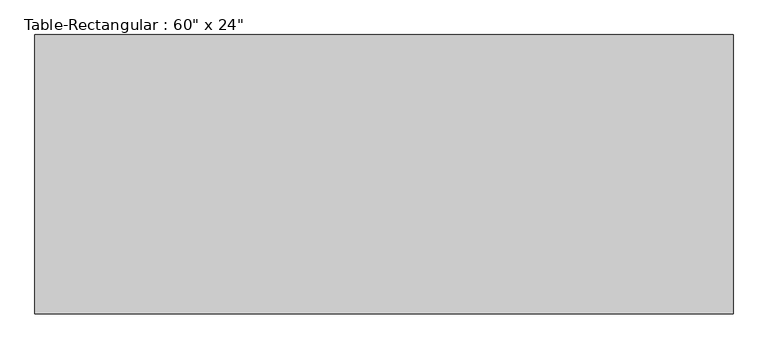
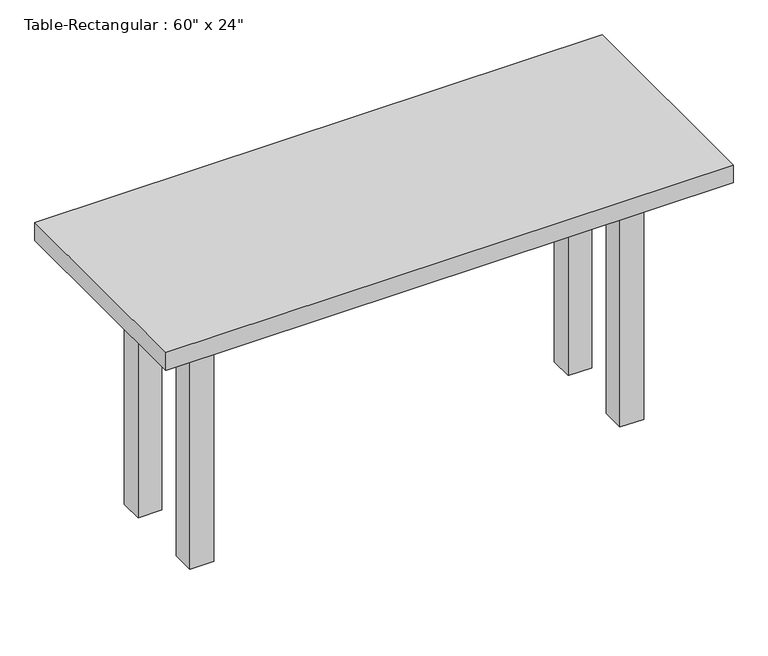
"""IFC4 building model written with IfcOpenShell, lengths in millimetres: furniture geometry."""

import ifcopenshell
import ifcopenshell.guid

model = None  # the IFC model being written
_history = None  # IfcOwnerHistory: only IFC2X3 demands one
_inside = {}  # id of a spatial element -> (the spatial element, [elements in it])
_under = {}  # id of a project, library or spatial element -> (it, [spatial elements below it])
_declared = {}  # id of a project -> (the project, [libraries it declares])
_typed = {}  # id of a type object -> (the type object, [elements of that type])
_made_of = {}  # id of a material, layer set ... -> (it, [elements and type objects made of it])


def new_model(schema):
    """Start an empty IFC model of exactly this schema.

    Asked for "IFC4X3", IfcOpenShell would pick the latest addendum, in which some entities
    have other attributes; the version numbers below select the first issue.
    IFC2X3 requires an IfcOwnerHistory on every rooted entity: one is made here for all.
    """
    global model, _history
    if schema == "IFC4X3":
        model = ifcopenshell.file(schema_version=(4, 3, 0, 0))
    else:
        model = ifcopenshell.file(schema=schema)
    _inside.clear()
    _under.clear()
    _declared.clear()
    _typed.clear()
    _made_of.clear()
    _history = None
    if model.schema == "IFC2X3":
        org = make("IfcOrganization", Name="unknown")
        user = make(
            "IfcPersonAndOrganization",
            ThePerson=make("IfcPerson", FamilyName="unknown"),
            TheOrganization=org,
        )
        app = make(
            "IfcApplication",
            ApplicationDeveloper=org,
            Version="unknown",
            ApplicationFullName="unknown",
            ApplicationIdentifier="unknown",
        )
        _history = make(
            "IfcOwnerHistory",
            OwningUser=user,
            OwningApplication=app,
            ChangeAction="ADDED",
            CreationDate=0,
        )
    return model


def make(cls, **values):
    """One entity of the class cls with the attributes given. An attribute that is None is left unset."""
    return model.create_entity(
        cls, **{name: value for name, value in values.items() if value is not None}
    )


def rooted(cls, **values):
    """An entity with a GlobalId (a new one), such as an element, a storey or a relation."""
    return make(cls, GlobalId=ifcopenshell.guid.new(), OwnerHistory=_history, **values)


def si_unit(unit_type, name, prefix=None):
    """IfcSIUnit, for example si_unit("LENGTHUNIT", "METRE", prefix="MILLI")."""
    return make("IfcSIUnit", UnitType=unit_type, Prefix=prefix, Name=name)


def assignment(units):
    """IfcUnitAssignment: the units of a project."""
    return None if units is None else make("IfcUnitAssignment", Units=units)


def point(xyz):
    """IfcCartesianPoint."""
    return None if xyz is None else make("IfcCartesianPoint", Coordinates=xyz)


def direction(xyz):
    """IfcDirection."""
    return None if xyz is None else make("IfcDirection", DirectionRatios=xyz)


def frame(location, z_axis=None, x_axis=None):
    """IfcAxis2Placement3D, a coordinate frame: its origin and axes. An axis left out is left unset."""
    return make(
        "IfcAxis2Placement3D",
        Location=point(location),
        Axis=direction(z_axis),
        RefDirection=direction(x_axis),
    )


def origin():
    """The frame at (0, 0, 0) with its axes left unset."""
    return frame((0.0, 0.0, 0.0))


def origin_with_axes():
    """The frame at (0, 0, 0) with the z axis (0, 0, 1) and the x axis (1, 0, 0) written out."""
    return frame((0.0, 0.0, 0.0), z_axis=(0.0, 0.0, 1.0), x_axis=(1.0, 0.0, 0.0))


def place(relative_to, where):
    """IfcLocalPlacement: puts the frame where relative to a parent placement (None: the world)."""
    return make(
        "IfcLocalPlacement", PlacementRelTo=relative_to, RelativePlacement=where
    )


def context(
    kind, dimensions, precision=None, world=None, true_north=None, identifier=None
):
    """IfcGeometricRepresentationContext, for example the 3D "Model" context."""
    return make(
        "IfcGeometricRepresentationContext",
        ContextIdentifier=identifier,
        ContextType=kind,
        CoordinateSpaceDimension=dimensions,
        Precision=precision,
        WorldCoordinateSystem=world,
        TrueNorth=true_north,
    )


def project(units=None, contexts=None):
    """IfcProject with its units and contexts."""
    return rooted(
        "IfcProject",
        Name="project",
        RepresentationContexts=contexts,
        UnitsInContext=assignment(units),
    )


def spatial(cls, under=None, at=None, **own):
    """A site, building, storey or space (cls), placed at a placement, below another one or the project."""
    s = rooted(cls, ObjectPlacement=at, **own)
    if under is not None:
        _under.setdefault(under.id(), (under, []))[1].append(s)
    return s


def polyline(points):
    """IfcPolyline through the points."""
    return make("IfcPolyline", Points=[point(p) for p in points])


def outline(outer, holes=None, kind="AREA"):
    """IfcArbitraryClosedProfileDef: a profile drawn as a closed curve; with holes, ...WithVoids."""
    if holes is None:
        return make("IfcArbitraryClosedProfileDef", ProfileType=kind, OuterCurve=outer)
    return make(
        "IfcArbitraryProfileDefWithVoids",
        ProfileType=kind,
        OuterCurve=outer,
        InnerCurves=holes,
    )


def extrude(swept, where, along, depth):
    """IfcExtrudedAreaSolid: the profile swept, set in the frame where, extruded along a direction by depth."""
    return make(
        "IfcExtrudedAreaSolid",
        SweptArea=swept,
        Position=where,
        ExtrudedDirection=direction(along),
        Depth=depth,
    )


def shape(context_of_items, identifier, shape_type, items):
    """IfcShapeRepresentation: the items that make up one representation, for example the "Body"."""
    return make(
        "IfcShapeRepresentation",
        ContextOfItems=context_of_items,
        RepresentationIdentifier=identifier,
        RepresentationType=shape_type,
        Items=items,
    )


def source(mapping_origin, context_of_items, identifier, shape_type, items):
    """IfcRepresentationMap: a shape defined once, which mapped items show again and again."""
    return make(
        "IfcRepresentationMap",
        MappingOrigin=mapping_origin,
        MappedRepresentation=shape(context_of_items, identifier, shape_type, items),
    )


def transform(
    local_origin,
    x_axis=None,
    y_axis=None,
    z_axis=None,
    scale=None,
    scale2=None,
    scale3=None,
    uniform=True,
):
    """IfcCartesianTransformationOperator3D, or its non-uniform kind. x_axis, y_axis, z_axis: its Axis1, 2, 3."""
    if uniform:
        return make(
            "IfcCartesianTransformationOperator3D",
            Axis1=direction(x_axis),
            Axis2=direction(y_axis),
            LocalOrigin=point(local_origin),
            Scale=scale,
            Axis3=direction(z_axis),
        )
    return make(
        "IfcCartesianTransformationOperator3DnonUniform",
        Axis1=direction(x_axis),
        Axis2=direction(y_axis),
        LocalOrigin=point(local_origin),
        Scale=scale,
        Axis3=direction(z_axis),
        Scale2=scale2,
        Scale3=scale3,
    )


def mapped(mapping_source, mapping_target):
    """IfcMappedItem: shows the shape of a source again, moved by a transform."""
    return make(
        "IfcMappedItem", MappingSource=mapping_source, MappingTarget=mapping_target
    )


def made_of(thing, what):
    """Note that an element or type object is made of a material, layer set ...; save() writes the relation."""
    if what is not None:
        _made_of.setdefault(what.id(), (what, []))[1].append(thing)
    return thing


def element(
    cls,
    number,
    at=None,
    inside=None,
    cuts=None,
    type_object=None,
    material=None,
    context=None,
    identifier="Body",
    shape_type=None,
    held_by="IfcProductDefinitionShape",
    body=None,
    shapes=None,
    **own,
):
    """One element of the class cls, such as IfcWall. Its Tag is "e" and its number.

    at: its placement. inside: the storey or other place that contains it. cuts: it is an
    opening in that element (IfcRelVoidsElement). A single representation is given by context,
    identifier, shape_type and body (its items); several are given by shapes. held_by: the class
    of the entity that holds the representations. save() writes the other relations.
    """
    e = rooted(cls, Tag="e%d" % number, ObjectPlacement=at, **own)
    if body is not None:
        shapes = [shape(context, identifier, shape_type, body)]
    if shapes is not None:
        e.Representation = make(held_by, Representations=shapes)
    if inside is not None:
        _inside.setdefault(inside.id(), (inside, []))[1].append(e)
    if cuts is not None:
        rooted(
            "IfcRelVoidsElement", RelatingBuildingElement=cuts, RelatedOpeningElement=e
        )
    if type_object is not None:
        _typed.setdefault(type_object.id(), (type_object, []))[1].append(e)
    return made_of(e, material)


def aggregate(whole, parts):
    """IfcRelAggregates: a whole, such as a stair, and the parts it consists of."""
    return rooted("IfcRelAggregates", RelatingObject=whole, RelatedObjects=parts)


def save(model, path):
    """Write the relations noted so far, then the file.

    IfcRelAggregates (storeys below a building ...), IfcRelContainedInSpatialStructure (elements
    in a storey), IfcRelDefinesByType, IfcRelAssociatesMaterial and IfcRelDeclares: one each for
    every whole, place, type object, material and project.
    """
    for whole, parts in _under.values():
        aggregate(whole, parts)
    for where, things in _inside.values():
        rooted(
            "IfcRelContainedInSpatialStructure",
            RelatedElements=things,
            RelatingStructure=where,
        )
    for kind, things in _typed.values():
        rooted("IfcRelDefinesByType", RelatedObjects=things, RelatingType=kind)
    for what, things in _made_of.values():
        rooted("IfcRelAssociatesMaterial", RelatedObjects=things, RelatingMaterial=what)
    for by, libraries in _declared.values():
        rooted("IfcRelDeclares", RelatingContext=by, RelatedDefinitions=libraries)
    model.write(path)


def furniture_b34bcf6c(model_context):
    return source(origin(), model_context, "Body", "SweptSolid", [
        extrude(outline(polyline([(546.1, -114.3), (-546.1, -114.3), (-546.1, -88.9), (546.1, -88.9), (546.1, -114.3)])), frame((0.0, 0.0, 609.6), z_axis=(0.0, 0.0, 1.0), x_axis=(1.0, 0.0, 0.0)), (0.0, 0.0, 1.0), 101.6),
        extrude(outline(polyline([(546.1, 114.3), (546.1, 88.9), (-546.1, 88.9), (-546.1, 114.3), (546.1, 114.3)])), frame((0.0, 0.0, 609.6), z_axis=(0.0, 0.0, 1.0), x_axis=(1.0, 0.0, 0.0)), (0.0, 0.0, 1.0), 101.6),
        extrude(outline(polyline([(-558.8, 88.9), (-558.8, -88.9), (-584.2, -88.9), (-584.2, 88.9), (-558.8, 88.9)])), frame((0.0, 0.0, 609.6), z_axis=(0.0, 0.0, 1.0), x_axis=(1.0, 0.0, 0.0)), (0.0, 0.0, 1.0), 101.6),
        extrude(outline(polyline([(558.8, 88.9), (584.2, 88.9), (584.2, -88.9), (558.8, -88.9), (558.8, 88.9)])), frame((0.0, 0.0, 609.6), z_axis=(0.0, 0.0, 1.0), x_axis=(1.0, 0.0, 0.0)), (0.0, 0.0, 1.0), 101.6),
        extrude(outline(polyline([(762.0, -304.8), (-762.0, -304.8), (-762.0, 304.8), (762.0, 304.8), (762.0, -304.8)])), frame((0.0, 0.0, 711.2), z_axis=(0.0, 0.0, 1.0), x_axis=(1.0, 0.0, 0.0)), (0.0, 0.0, 1.0), 50.8),
        extrude(outline(polyline([(-546.1, -152.4), (-609.6, -152.4), (-609.6, -88.9), (-546.1, -88.9), (-546.1, -152.4)])), origin_with_axes(), (0.0, 0.0, 1.0), 711.2),
        extrude(outline(polyline([(546.1, -152.4), (546.1, -88.9), (609.6, -88.9), (609.6, -152.4), (546.1, -152.4)])), origin_with_axes(), (0.0, 0.0, 1.0), 711.2),
        extrude(outline(polyline([(-546.1, 152.4), (-546.1, 88.9), (-609.6, 88.9), (-609.6, 152.4), (-546.1, 152.4)])), origin_with_axes(), (0.0, 0.0, 1.0), 711.2),
        extrude(outline(polyline([(546.1, 152.4), (609.6, 152.4), (609.6, 88.9), (546.1, 88.9), (546.1, 152.4)])), origin_with_axes(), (0.0, 0.0, 1.0), 711.2),
    ])


if __name__ == "__main__":
    model = new_model("IFC4")
    model_context = context("Model", 3, world=origin())
    ifc_project = project(units=[si_unit("LENGTHUNIT", "METRE", prefix="MILLI")], contexts=[model_context])
    site = spatial("IfcSite", under=ifc_project)
    building = spatial("IfcBuilding", under=site)
    placement = place(None, origin())
    furniture_shape = furniture_b34bcf6c(model_context)
    element("IfcFurniture", 1, ObjectType="Table-Rectangular : 60\" x 24\"", at=placement, inside=building, context=model_context, shape_type="MappedRepresentation", body=[
        mapped(furniture_shape, transform((0.0, 0.0, 0.0), x_axis=(1.0, 0.0, 0.0), y_axis=(0.0, 1.0, 0.0), z_axis=(0.0, 0.0, 1.0))),
    ])
    save(model, "model.ifc")
